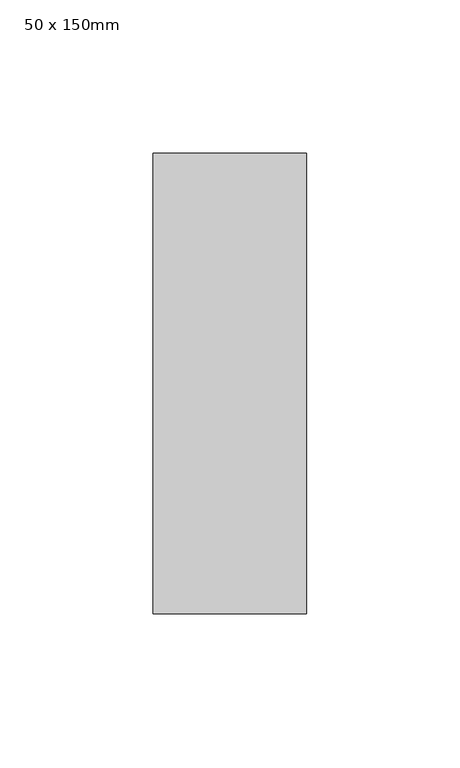
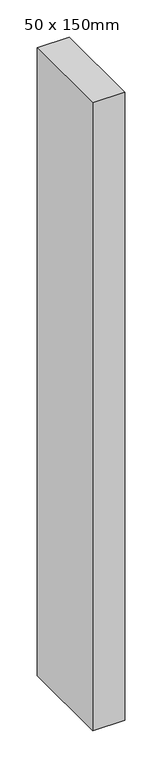
"""IFC4 building model written with IfcOpenShell, lengths in millimetres: member geometry, 50 x 150mm."""

from ifc_helpers import new_model, si_unit, frame, origin, place, context, project, spatial, polyline, outline, extrude, source, transform, mapped, element, save


def member_50_x_150mm_8e557376(model_context):
    return source(origin(), model_context, "Body", "SweptSolid", [
        extrude(outline(polyline([(0.0, 75.0), (0.0, -75.0), (-50.0, -75.0), (-50.0, 75.0), (0.0, 75.0)])), frame((0.0, 0.0, -1033.985096), z_axis=(0.0, 0.0, 1.0), x_axis=(1.0, 0.0, 0.0)), (0.0, 0.0, 1.0), 1033.985096),
    ])


if __name__ == "__main__":
    model = new_model("IFC4")
    model_context = context("Model", 3, world=origin())
    ifc_project = project(units=[si_unit("LENGTHUNIT", "METRE", prefix="MILLI")], contexts=[model_context])
    site = spatial("IfcSite", under=ifc_project)
    building = spatial("IfcBuilding", under=site)
    placement = place(None, origin())
    member_50_x_150mm_shape = member_50_x_150mm_8e557376(model_context)
    element("IfcMember", 1, ObjectType="50 x 150mm", at=placement, inside=building, context=model_context, shape_type="MappedRepresentation", body=[
        mapped(member_50_x_150mm_shape, transform((0.0, 0.0, 0.0), x_axis=(1.0, 0.0, 0.0), y_axis=(0.0, 1.0, 0.0), z_axis=(0.0, 0.0, 1.0))),
    ])
    save(model, "model.ifc")
